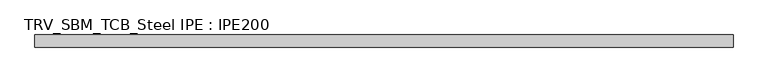
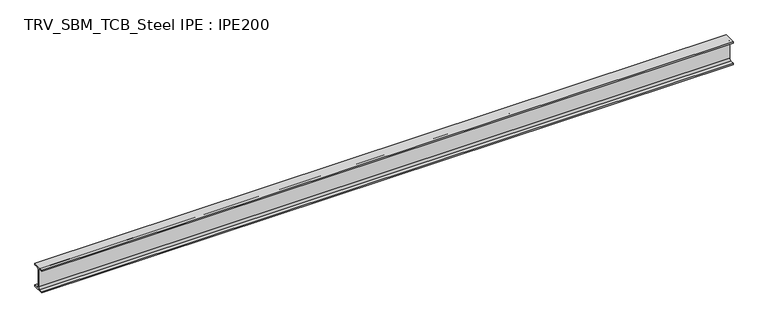
"""IFC4 building model written with IfcOpenShell, lengths in millimetres: beam geometry, TRV_SBM_TCB_Steel IPE : IPE200."""

from ifc_helpers import new_model, si_unit, point, frame, frame_2d, origin, place, context, project, spatial, polyline, circle_curve, trimmed, segment, composite_curve, outline, extrude, source, transform, mapped, element, save


def trv_sbm_tcb_steel_ipe_ipe200_af99849e(model_context):
    return source(origin(), model_context, "Body", "SweptSolid", [
        extrude(outline(composite_curve([segment(polyline([(-50.0, -89.3), (-18.55, -89.3)]), True, "CONTINUOUS"), segment(trimmed(circle_curve(frame_2d((-18.55, -74.3)), 15.0), [point((-18.55, -89.3))], [point((-3.55, -74.3))], True, "CARTESIAN"), True, "CONTINUOUS"), segment(polyline([(-3.55, -74.3), (-3.55, 74.3)]), True, "CONTINUOUS"), segment(trimmed(circle_curve(frame_2d((-18.55, 74.3)), 15.0), [point((-3.55, 74.3))], [point((-18.55, 89.3))], True, "CARTESIAN"), True, "CONTINUOUS"), segment(polyline([(-18.55, 89.3), (-50.0, 89.3), (-50.0, 100.0), (50.0, 100.0), (50.0, 89.3), (18.55, 89.3)]), True, "CONTINUOUS"), segment(trimmed(circle_curve(frame_2d((18.55, 74.3)), 15.0), [point((18.55, 89.3))], [point((3.55, 74.3))], True, "CARTESIAN"), True, "CONTINUOUS"), segment(polyline([(3.55, 74.3), (3.55, -74.3)]), True, "CONTINUOUS"), segment(trimmed(circle_curve(frame_2d((18.55, -74.3)), 15.0), [point((3.55, -74.3))], [point((18.55, -89.3))], True, "CARTESIAN"), True, "CONTINUOUS"), segment(polyline([(18.55, -89.3), (50.0, -89.3), (50.0, -100.0), (-50.0, -100.0), (-50.0, -89.3)]), True, "CONTINUOUS")], self_intersect=False)), frame((-2858.0, 0.0, 0.0), z_axis=(1.0, 0.0, 0.0), x_axis=(0.0, 1.0, 0.0)), (0.0, 0.0, 1.0), 5756.0),
    ])


if __name__ == "__main__":
    model = new_model("IFC4")
    model_context = context("Model", 3, world=origin())
    ifc_project = project(units=[si_unit("LENGTHUNIT", "METRE", prefix="MILLI")], contexts=[model_context])
    site = spatial("IfcSite", under=ifc_project)
    building = spatial("IfcBuilding", under=site)
    placement = place(None, origin())
    trv_sbm_tcb_steel_ipe_ipe200_shape = trv_sbm_tcb_steel_ipe_ipe200_af99849e(model_context)
    element("IfcBeam", 1, ObjectType="TRV_SBM_TCB_Steel IPE : IPE200", at=placement, inside=building, context=model_context, shape_type="MappedRepresentation", body=[
        mapped(trv_sbm_tcb_steel_ipe_ipe200_shape, transform((0.0, 0.0, 0.0), x_axis=(1.0, 0.0, 0.0), y_axis=(0.0, 1.0, 0.0), z_axis=(0.0, 0.0, 1.0))),
    ])
    save(model, "model.ifc")
